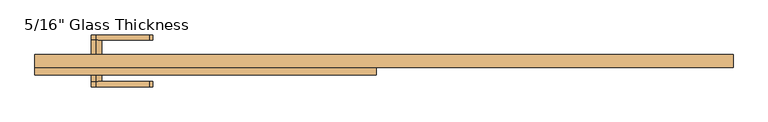
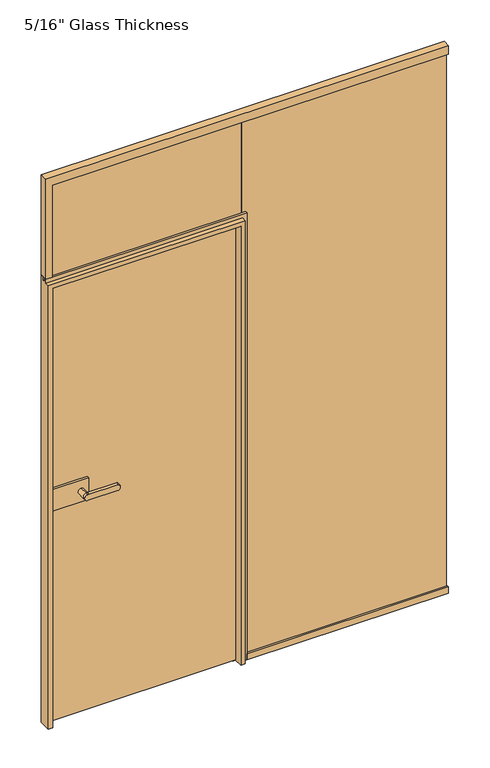
"""IFC4 building model written with IfcOpenShell, lengths in millimetres: door geometry."""

from ifc_helpers import new_model, si_unit, point, frame, frame_2d, origin, place, context, project, spatial, polyline, circle_curve, ellipse_curve, trimmed, segment, composite_curve, outline, extrude, faceted_brep, source, transform, mapped, element, save
from ifc_brep_helpers import plane_surface, cylinder_surface, extruded_surface, advanced_brep


def door_2ca3d7f0(model_context):
    return source(origin(), model_context, "Body", "SolidModel", [
        extrude(outline(composite_curve([segment(trimmed(circle_curve(frame_2d((940.0, -658.0)), 11.9886308), [point((951.9886308, -658.0))], [point((928.0113692, -658.0))], False, "CARTESIAN"), True, "CONTINUOUS"), segment(trimmed(circle_curve(frame_2d((940.0, -658.0)), 11.9886308), [point((928.0113692, -658.0))], [point((951.9886308, -658.0))], False, "CARTESIAN"), True, "CONTINUOUS")], self_intersect=False)), frame((0.0, 21.06, 0.0), z_axis=(0.0, 1.0, 0.0), x_axis=(0.0, 0.0, 1.0)), (0.0, 0.0, 1.0), 33.5),
        advanced_brep(
        [(-658.0, 54.56, 951.9886308), (-658.0, 54.56, 928.0113692), (-536.3382074, 54.56, 928.0113692), (-536.3382074, 54.56, 951.9886308), (-658.0, 67.06, 951.9886308), (-536.3382074, 67.06, 951.9886308), (-536.3382074, 67.06, 928.0113692), (-658.0, 67.06, 928.0113692)],
        [
            (0, 1, circle_curve(frame((-658.0, 54.56, 940.0), z_axis=(0.0, -1.0, 0.0), x_axis=(0.0, 0.0, -1.0)), 11.9886308)),
            (1, 2),
            (2, 3, ellipse_curve(frame((-536.3382074, 54.56, 940.0), z_axis=(0.0, -1.0, 0.0), x_axis=(0.0, 0.0, 1.0)), 11.9886308, 7.9050795)),
            (3, 0),
            (4, 5),
            (5, 6, ellipse_curve(frame((-536.3382074, 67.06, 940.0), z_axis=(0.0, 1.0, 0.0), x_axis=(0.0, 0.0, 1.0)), 11.9886308, 7.9050795)),
            (6, 7),
            (7, 4, circle_curve(frame((-658.0, 67.06, 940.0), z_axis=(0.0, 1.0, 0.0), x_axis=(0.0, 0.0, -1.0)), 11.9886308)),
            (3, 5),
            (4, 0),
            (2, 6),
            (1, 7),
        ],
        [
            plane_surface(frame((-536.3382074, 54.56, 951.9886308), z_axis=(0.0, -1.0, 0.0), x_axis=(1.0, 0.0, 0.0))),
            plane_surface(frame((-536.3382074, 67.06, 951.9886308), z_axis=(0.0, 1.0, 0.0), x_axis=(-1.0, 0.0, 0.0))),
            plane_surface(frame((-658.0, 54.56, 951.9886308), z_axis=(0.0, 0.0, 1.0), x_axis=(0.0, 1.0, 0.0))),
            extruded_surface(trimmed(ellipse_curve(frame((-536.3382074, 67.06, 940.0), z_axis=(0.0, 1.0, 0.0), x_axis=(0.0, 0.0, 1.0)), 11.9886308, 7.9050795), [point((-536.3382074, 67.06, 951.9886308))], [point((-536.3382074, 67.06, 928.0113692))], True, "CARTESIAN"), (0.0, 12.5, 0.0), 12.5),
            plane_surface(frame((-536.3382074, 54.56, 928.0113692), z_axis=(0.0, 0.0, -1.0), x_axis=(0.0, 1.0, 0.0))),
            cylinder_surface(frame((-658.0, 67.06, 940.0), z_axis=(0.0, -1.0, 0.0), x_axis=(0.0, 0.0, -1.0)), 11.9886308),
        ],
        [
            (0, [[1, 2, 3, 4]]),
            (1, [[5, 6, 7, 8]]),
            (2, [[9, -5, 10, -4]]),
            (3, [[11, -6, -9, -3]]),
            (4, [[12, -7, -11, -2]]),
            (5, [[-10, -8, -12, -1]]),
        ],
    ),
        extrude(outline(polyline([(-762.0, 11.06), (-762.0, 21.06), (-628.0, 21.06), (-628.0, 11.06), (-762.0, 11.06)])), frame((0.0, 0.0, 895.0), z_axis=(0.0, 0.0, 1.0), x_axis=(1.0, 0.0, 0.0)), (0.0, 0.0, 1.0), 90.0),
        extrude(outline(polyline([(-778.0, -6.94), (-778.0, 3.06), (-628.0, 3.06), (-628.0, -6.94), (-778.0, -6.94)])), frame((0.0, 0.0, 895.0), z_axis=(0.0, 0.0, 1.0), x_axis=(1.0, 0.0, 0.0)), (0.0, 0.0, 1.0), 90.0),
        advanced_brep(
        [(-658.0, -6.94, 951.9886308), (-658.0, -6.94, 928.0113692), (-658.0, -40.4398825, 951.9886308), (-658.0, -40.4398825, 928.0113692), (-658.0, -52.9399695, 951.9886308), (-658.0, -52.9399695, 928.0113692), (-536.3382074, -52.9399695, 928.0113692), (-536.3382074, -52.9399695, 951.9886308), (-536.3382074, -40.4398825, 951.9886308), (-536.3382074, -40.4398825, 928.0113692)],
        [
            (0, 1, circle_curve(frame((-658.0, -6.94, 940.0), z_axis=(0.0, 1.0, 0.0), x_axis=(0.0, 0.0, -1.0)), 11.9886308)),
            (1, 0, circle_curve(frame((-658.0, -6.94, 940.0), z_axis=(0.0, 1.0, 0.0), x_axis=(0.0, 0.0, -1.0)), 11.9886308)),
            (0, 2),
            (2, 3, circle_curve(frame((-658.0, -40.4398825, 940.0), z_axis=(0.0, 1.0, 0.0), x_axis=(0.0, 0.0, -1.0)), 11.9886308)),
            (3, 1),
            (3, 2, circle_curve(frame((-658.0, -40.4398825, 940.0), z_axis=(0.0, 1.0, 0.0), x_axis=(0.0, 0.0, -1.0)), 11.9886308)),
            (4, 5, circle_curve(frame((-658.0, -52.9399695, 940.0), z_axis=(0.0, -1.0, 0.0), x_axis=(0.0, 0.0, -1.0)), 11.9886308)),
            (5, 6),
            (6, 7, ellipse_curve(frame((-536.3382074, -52.9399695, 940.0), z_axis=(0.0, -1.0, 0.0), x_axis=(0.0, 0.0, 1.0)), 11.9886308, 7.9050795)),
            (7, 4),
            (2, 8),
            (8, 9, ellipse_curve(frame((-536.3382074, -40.4398825, 940.0), z_axis=(0.0, 1.0, 0.0), x_axis=(0.0, 0.0, 1.0)), 11.9886308, 7.9050795)),
            (9, 3),
            (7, 8),
            (2, 4),
            (6, 9),
            (5, 3),
        ],
        [
            plane_surface(frame((-658.0, -6.94, 928.0113692), z_axis=(0.0, 1.0, 0.0), x_axis=(1.0, 0.0, 0.0))),
            cylinder_surface(frame((-658.0, -6.94, 940.0), z_axis=(0.0, -1.0, 0.0), x_axis=(0.0, 0.0, -1.0)), 11.9886308),
            plane_surface(frame((-536.3382074, -52.9399695, 951.9886308), z_axis=(0.0, -1.0, 0.0), x_axis=(1.0, 0.0, 0.0))),
            plane_surface(frame((-536.3382074, -40.4398825, 951.9886308), z_axis=(0.0, 1.0, 0.0), x_axis=(-1.0, 0.0, 0.0))),
            plane_surface(frame((-658.0, -52.9399695, 951.9886308), z_axis=(0.0, 0.0, 1.0), x_axis=(0.0, 1.0, 0.0))),
            extruded_surface(trimmed(ellipse_curve(frame((-536.3382074, -40.4398825, 940.0), z_axis=(0.0, 1.0, 0.0), x_axis=(0.0, 0.0, 1.0)), 11.9886308, 7.9050795), [point((-536.3382074, -40.4398825, 951.9886308))], [point((-536.3382074, -40.4398825, 928.0113692))], True, "CARTESIAN"), (0.0, 12.500087000000004, 0.0), 12.500087000000004),
            plane_surface(frame((-536.3382074, -52.9399695, 928.0113692), z_axis=(0.0, 0.0, -1.0), x_axis=(0.0, 1.0, 0.0))),
            cylinder_surface(frame((-658.0, -40.4398825, 940.0), z_axis=(0.0, -1.0, 0.0), x_axis=(0.0, 0.0, -1.0)), 11.9886308),
        ],
        [
            (0, [[1, 2]]),
            (1, [[3, 4, 5, -1]]),
            (1, [[-5, 6, -3, -2]]),
            (2, [[7, 8, 9, 10]]),
            (3, [[-4, 11, 12, 13]]),
            (4, [[14, -11, 15, -10]]),
            (5, [[16, -12, -14, -9]]),
            (6, [[17, -13, -16, -8]]),
            (7, [[-15, -6, -17, -7]]),
        ],
    ),
        extrude(outline(polyline([(-17.0, 0.0), (-785.0, 0.0), (-785.0, 8.0), (-17.0, 8.0), (-17.0, 0.0)])), frame((0.0, 0.0, 1867.2), z_axis=(0.0, 0.0, 1.0), x_axis=(1.0, 0.0, 0.0)), (0.0, 0.0, 1.0), 412.8),
        faceted_brep([(803.0, 22.06, 2300.0), (803.0, -7.94, 2300.0), (803.0, -7.94, 2265.0), (803.0, 0.0, 2265.0), (803.0, 0.0, 2280.0), (803.0, 8.0, 2280.0), (803.0, 8.0, 2265.0), (803.0, 22.06, 2265.0), (-773.0, -7.94, 2265.0), (-773.0, 0.0, 2265.0), (-787.0, 0.0, 2280.0), (-787.0, 8.0, 2280.0), (-773.0, 8.0, 2265.0), (-773.0, 22.06, 2265.0), (-799.0, 22.06, 2300.0), (-799.0, 22.06, 1880.0), (-799.0, -7.94, 1880.0), (-799.0, -7.94, 2300.0), (-773.0, 22.06, 1880.0), (-787.0, 8.0, 1880.0), (-773.0, 8.0, 1880.0), (-773.0, 0.0, 1880.0), (-787.0, 0.0, 1880.0), (-773.0, -7.94, 1880.0)], [[[0, 1, 2, 3, 4, 5, 6, 7]], [[2, 8, 9, 3]], [[10, 11, 5, 4]], [[6, 12, 13, 7]], [[14, 15, 16, 17]], [[7, 13, 18, 15, 14, 0]], [[5, 11, 19, 20, 12, 6]], [[3, 9, 21, 22, 10, 4]], [[1, 17, 16, 23, 8, 2]], [[14, 17, 1, 0]], [[16, 15, 18, 20, 19, 22, 21, 23]], [[18, 13, 12, 20]], [[11, 10, 22, 19]], [[21, 9, 8, 23]]]),
        faceted_brep([(-769.0, 22.06, 0.0), (-769.0, 11.06, 0.0), (-781.9, 11.06, 0.0), (-781.9, -25.94, 0.0), (-799.0, -25.94, 0.0), (-799.0, 22.06, 0.0), (-769.0, 22.06, 1833.0), (-769.0, 11.06, 1833.0), (-781.9, 11.06, 1845.9), (-781.9, -25.94, 1845.9), (-799.0, -25.94, 1863.0), (-799.0, -7.94, 1863.0), (-799.0, -7.94, 1880.0), (-799.0, 0.0, 1880.0), (-799.0, 0.0, 1866.0), (-799.0, 8.0, 1866.0), (-799.0, 8.0, 1880.0), (-799.0, 22.06, 1880.0), (-33.1, 11.06, 0.0), (-46.0, 11.06, 0.0), (-46.0, 22.06, 0.0), (1.0, 22.06, 0.0), (1.0, 8.0, 0.0), (-13.0, 8.0, 0.0), (-13.0, 0.0, 0.0), (1.0, 0.0, 0.0), (1.0, -7.94, 0.0), (-16.0, -7.94, 0.0), (-16.0, -25.94, 0.0), (-33.1, -25.94, 0.0), (-46.0, 11.06, 1833.0), (-46.0, 22.06, 1833.0), (1.0, 22.06, 1880.0), (1.0, 8.0, 1880.0), (-13.0, 8.0, 1866.0), (-13.0, 0.0, 1866.0), (1.0, 0.0, 1880.0), (1.0, -7.94, 1880.0), (-16.0, -7.94, 1863.0), (-16.0, -25.94, 1863.0), (-33.1, -25.94, 1845.9), (-33.1, 11.06, 1845.9)], [[[0, 1, 2, 3, 4, 5]], [[0, 6, 7, 1]], [[8, 9, 3, 2]], [[4, 10, 11, 12, 13, 14, 15, 16, 17, 5]], [[18, 19, 20, 21, 22, 23, 24, 25, 26, 27, 28, 29]], [[19, 30, 31, 20]], [[21, 32, 33, 22]], [[23, 34, 35, 24]], [[25, 36, 37, 26]], [[27, 38, 39, 28]], [[29, 40, 41, 18]], [[1, 7, 30, 19, 18, 41, 8, 2]], [[3, 9, 40, 29, 28, 39, 10, 4]], [[17, 32, 21, 20, 31, 6, 0, 5]], [[30, 7, 6, 31]], [[16, 33, 32, 17]], [[15, 34, 23, 22, 33, 16]], [[14, 35, 34, 15]], [[13, 36, 25, 24, 35, 14]], [[12, 37, 36, 13]], [[11, 38, 27, 26, 37, 12]], [[10, 39, 38, 11]], [[40, 9, 8, 41]]]),
        extrude(outline(polyline([(22.06, 0.0), (-7.94, 0.0), (-7.94, 26.0), (0.0, 26.0), (0.0, 13.0), (8.0, 13.0), (8.0, 26.0), (22.06, 26.0), (22.06, 0.0)])), frame((1.0, 0.0, 0.0), z_axis=(1.0, 0.0, 0.0), x_axis=(0.0, 1.0, 0.0)), (0.0, 0.0, 1.0), 802.0),
        extrude(outline(polyline([(799.0, 0.0), (-13.0, 0.0), (-13.0, 8.0), (799.0, 8.0), (799.0, 0.0)])), frame((0.0, 0.0, 13.0), z_axis=(0.0, 0.0, 1.0), x_axis=(1.0, 0.0, 0.0)), (0.0, 0.0, 1.0), 2267.0),
        extrude(outline(polyline([(-38.0, 3.06), (-778.0, 3.06), (-778.0, 11.06), (-38.0, 11.06), (-38.0, 3.06)])), frame((0.0, 0.0, 7.0), z_axis=(0.0, 0.0, 1.0), x_axis=(1.0, 0.0, 0.0)), (0.0, 0.0, 1.0), 1835.0),
    ])


if __name__ == "__main__":
    model = new_model("IFC4")
    model_context = context("Model", 3, world=origin())
    ifc_project = project(units=[si_unit("LENGTHUNIT", "METRE", prefix="MILLI")], contexts=[model_context])
    site = spatial("IfcSite", under=ifc_project)
    building = spatial("IfcBuilding", under=site)
    placement = place(None, origin())
    door_shape = door_2ca3d7f0(model_context)
    element("IfcDoor", 1, ObjectType="5/16\" Glass Thickness", at=placement, inside=building, context=model_context, shape_type="MappedRepresentation", body=[
        mapped(door_shape, transform((0.0, 0.0, 0.0), x_axis=(1.0, 0.0, 0.0), y_axis=(0.0, 1.0, 0.0), z_axis=(0.0, 0.0, 1.0))),
    ])
    save(model, "model.ifc")
